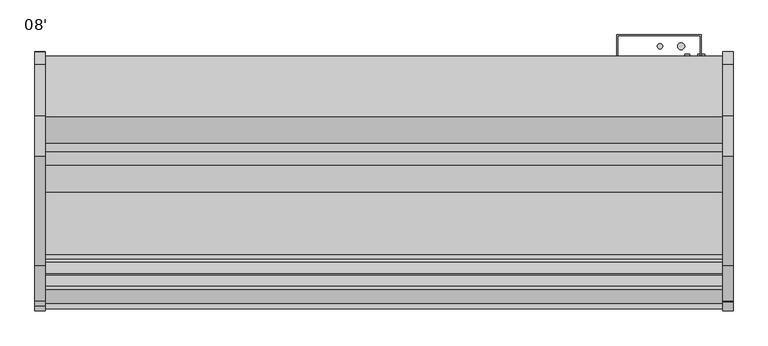
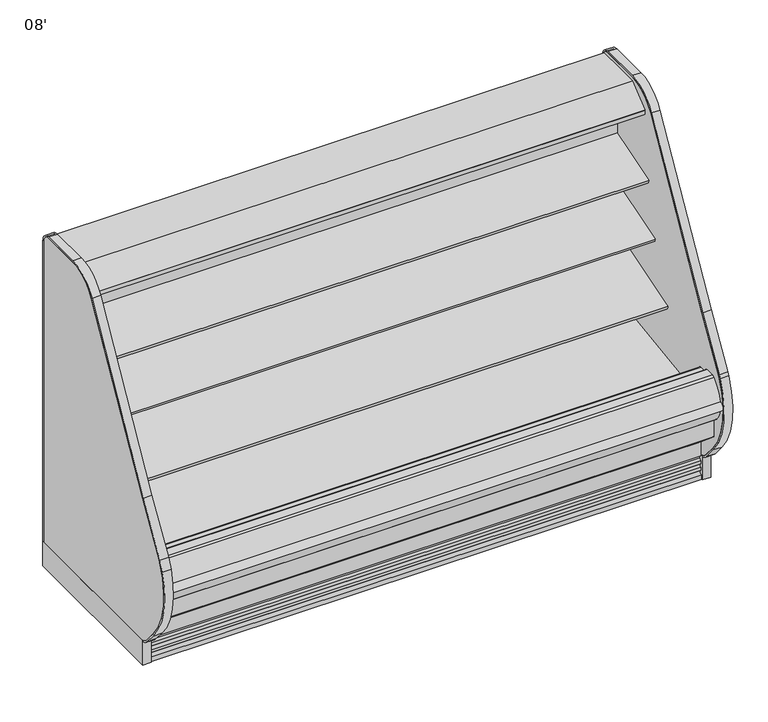
"""IFC4 building model written with IfcOpenShell, lengths in millimetres: proxy geometry, 08'."""

from ifc_helpers import new_model, si_unit, point, frame, frame_2d, origin, origin_with_axes, place, context, project, spatial, polyline, circle_curve, trimmed, segment, composite_curve, outline, extrude, source, transform, mapped, element, save
from ifc_brep_helpers import plane_surface, cylinder_surface, revolved_surface, advanced_brep


def proxy_08_27e143ef(model_context):
    return source(origin(), model_context, "Body", "SolidModel", [
        extrude(outline(composite_curve([segment(polyline([(-514.5091341, 1461.7730838), (-504.8016201, 1464.7713787), (-504.5349155, 1463.9078752), (-503.4677443, 1463.9078752), (-503.4677443, 1370.1435435), (-528.7629585, 1366.5907473)]), True, "CONTINUOUS"), segment(trimmed(circle_curve(frame_2d((-528.9028414, 1368.1644225)), 1.57988), [point((-528.7629585, 1366.5907473))], [point((-530.4673461, 1367.9445457))], False, "CARTESIAN"), True, "CONTINUOUS"), segment(polyline([(-530.4673461, 1367.9445457), (-531.3521558, 1374.2402938), (-530.5673882, 1374.3505857), (-529.5729936, 1367.2751005), (-505.9922352, 1370.58916), (-520.0882739, 1470.887687), (-542.8488553, 1467.8653314)]), True, "CONTINUOUS"), segment(trimmed(circle_curve(frame_2d((-542.745207, 1467.084783)), 0.7874), [point((-542.8488553, 1467.8653314))], [point((-543.5257554, 1466.9811347))], True, "CARTESIAN"), True, "CONTINUOUS"), segment(polyline([(-543.5257554, 1466.9811347), (-542.5026464, 1459.2763646), (-543.2831951, 1459.1727184), (-544.3063038, 1466.8774865)]), True, "CONTINUOUS"), segment(trimmed(circle_curve(frame_2d((-542.745207, 1467.084783)), 1.5748), [point((-544.3063038, 1466.8774865))], [point((-542.9525036, 1468.6458798))], False, "CARTESIAN"), True, "CONTINUOUS"), segment(polyline([(-542.9525036, 1468.6458798), (-518.9880924, 1471.8280909)]), True, "CONTINUOUS"), segment(trimmed(circle_curve(frame_2d((-518.7807959, 1470.2669941)), 1.5748), [point((-518.9880924, 1471.8280909))], [point((-517.2761312, 1470.7317298))], False, "CARTESIAN"), True, "CONTINUOUS"), segment(polyline([(-517.2761312, 1470.7317298), (-514.5091341, 1461.7730838)]), True, "CONTINUOUS")], self_intersect=False)), frame((0.0, 0.0, 0.0), z_axis=(1.0, 0.0, 0.0), x_axis=(0.0, 1.0, 0.0)), (0.0, 0.0, 1.0), 2438.4),
        extrude(outline(polyline([(-401.4996571, 1543.05), (-401.4996571, 1496.6220648), (-452.2996571, 1496.6220648), (-452.2996571, 1463.9078752), (-504.5349155, 1463.9078752), (-506.6141646, 1470.6398143), (-511.4086108, 1469.1589857), (-535.4786509, 1497.8445425), (-642.2469687, 1497.8445425), (-643.0851687, 1497.0063425), (-643.0851687, 1485.8811425), (-643.6432583, 1484.7023324), (-688.2811012, 1448.1263324), (-689.2470116, 1447.7811425), (-700.7436347, 1447.7811425), (-700.7436347, 1445.8493669), (-715.857653, 1445.8493669), (-715.857653, 1464.1183169), (-715.2644915, 1465.3619059), (-619.327685, 1543.05), (-401.4996571, 1543.05)])), frame((0.0, 0.0, 0.0), z_axis=(1.0, 0.0, 0.0), x_axis=(0.0, 1.0, 0.0)), (0.0, 0.0, 1.0), 2438.4),
        extrude(outline(composite_curve([segment(polyline([(-505.9922352, 1370.58916), (-529.5729936, 1367.2751005), (-530.5673882, 1374.3505857), (-542.4978224, 1459.2400359), (-543.5257554, 1466.9811347)]), True, "CONTINUOUS"), segment(trimmed(circle_curve(frame_2d((-542.745207, 1467.084783)), 0.7874), [point((-543.5257554, 1466.9811347))], [point((-542.8488553, 1467.8653314))], False, "CARTESIAN"), True, "CONTINUOUS"), segment(polyline([(-542.8488553, 1467.8653314), (-520.0882739, 1470.887687), (-505.9922352, 1370.58916)]), True, "CONTINUOUS")], self_intersect=False)), frame((0.0, 0.0, 0.0), z_axis=(1.0, 0.0, 0.0), x_axis=(0.0, 1.0, 0.0)), (0.0, 0.0, 1.0), 2438.4),
        extrude(outline(composite_curve([segment(trimmed(circle_curve(frame_2d((-586.8222651, 1471.8018376)), 14.2875), [point((-601.1097651, 1471.8018376))], [point((-572.5347651, 1471.8018376))], False, "CARTESIAN"), True, "CONTINUOUS"), segment(trimmed(circle_curve(frame_2d((-586.8222651, 1471.8018376)), 14.2875), [point((-572.5347651, 1471.8018376))], [point((-601.1097651, 1471.8018376))], False, "CARTESIAN"), True, "CONTINUOUS")], self_intersect=False)), frame((0.0, 0.0, 0.0), z_axis=(1.0, 0.0, 0.0), x_axis=(0.0, 1.0, 0.0)), (0.0, 0.0, 1.0), 1219.2),
        extrude(outline(composite_curve([segment(trimmed(circle_curve(frame_2d((-624.2110651, 1471.8018376)), 14.2875), [point((-638.4985651, 1471.8018376))], [point((-609.9235651, 1471.8018376))], False, "CARTESIAN"), True, "CONTINUOUS"), segment(trimmed(circle_curve(frame_2d((-624.2110651, 1471.8018376)), 14.2875), [point((-609.9235651, 1471.8018376))], [point((-638.4985651, 1471.8018376))], False, "CARTESIAN"), True, "CONTINUOUS")], self_intersect=False)), frame((0.0, 0.0, 0.0), z_axis=(1.0, 0.0, 0.0), x_axis=(0.0, 1.0, 0.0)), (0.0, 0.0, 1.0), 1219.2),
        extrude(outline(polyline([(2476.5, -385.6339273), (2476.5, -1152.4160029), (2438.4, -1152.4160029), (2438.4, -385.6339273), (2476.5, -385.6339273)])), origin_with_axes(), (0.0, 0.0, 1.0), 114.3),
        extrude(outline(composite_curve([segment(polyline([(-1152.4160029, 116.5798969), (-1152.4160029, 109.595887)]), True, "CONTINUOUS"), segment(trimmed(circle_curve(frame_2d((-1137.6967441, 171.4363524)), 63.5680717), [point((-1152.4160029, 109.595887))], [point((-1186.495575, 130.6984851))], False, "CARTESIAN"), True, "CONTINUOUS"), segment(polyline([(-1186.495575, 130.6984851), (-1238.6113068, 192.4078615)]), True, "CONTINUOUS"), segment(trimmed(circle_curve(frame_2d((-971.0702851, 416.9014342)), 349.25), [point((-1238.6113068, 192.4078615))], [point((-1290.6630685, 557.7418237))], False, "CARTESIAN"), True, "CONTINUOUS"), segment(trimmed(circle_curve(frame_2d((-1181.0473048, 509.9026614)), 119.6001718), [point((-1290.6630685, 557.7418237))], [point((-1283.5646612, 571.5013037))], False, "CARTESIAN"), True, "CONTINUOUS"), segment(polyline([(-1283.5646612, 571.5013037), (-1156.015482, 783.7787857), (-762.9420906, 1480.8530893)]), True, "CONTINUOUS"), segment(trimmed(circle_curve(frame_2d((-615.9139315, 1397.9453465)), 168.7926935), [point((-762.9420906, 1480.8530893))], [point((-615.9139315, 1566.73804))], False, "CARTESIAN"), True, "CONTINUOUS"), segment(polyline([(-615.9139315, 1566.73804), (-431.2380096, 1566.7610104)]), True, "CONTINUOUS"), segment(trimmed(circle_curve(frame_2d((-431.2324808, 1522.3110107)), 44.45), [point((-431.2380096, 1566.7610104))], [point((-386.7824808, 1522.3110107))], False, "CARTESIAN"), True, "CONTINUOUS"), segment(polyline([(-386.7824808, 1522.3110107), (-386.7824808, 114.3229711), (-393.1324808, 114.3229711), (-393.1324808, 1522.3110108)]), True, "CONTINUOUS"), segment(trimmed(circle_curve(frame_2d((-431.2324808, 1522.3110108)), 38.1), [point((-393.1324808, 1522.3110108))], [point((-431.2373794, 1560.4110104))], True, "CARTESIAN"), True, "CONTINUOUS"), segment(polyline([(-431.2373794, 1560.4110104), (-616.4365773, 1560.3871992)]), True, "CONTINUOUS"), segment(trimmed(circle_curve(frame_2d((-615.9139315, 1397.9453465)), 162.4426935), [point((-616.4365773, 1560.3871992))], [point((-757.4108748, 1477.7340908))], True, "CARTESIAN"), True, "CONTINUOUS"), segment(polyline([(-757.4108748, 1477.7340908), (-1150.5273223, 780.5834317), (-1281.3767651, 562.8133887)]), True, "CONTINUOUS"), segment(trimmed(circle_curve(frame_2d((-971.0702851, 416.9014342)), 342.9), [point((-1281.3767651, 562.8133887))], [point((-1233.7469246, 196.4895629))], True, "CARTESIAN"), True, "CONTINUOUS"), segment(polyline([(-1233.7469246, 196.4895629), (-1181.4257503, 135.1646002)]), True, "CONTINUOUS"), segment(trimmed(circle_curve(frame_2d((-1137.4891348, 171.8136543)), 57.2152021), [point((-1181.4257503, 135.1646002))], [point((-1152.4160029, 116.5798969))], True, "CARTESIAN"), True, "CONTINUOUS")], self_intersect=False)), frame((2438.4, 0.0, 0.0), z_axis=(1.0, 0.0, 0.0), x_axis=(0.0, 1.0, 0.0)), (0.0, 0.0, 1.0), 38.1),
        extrude(outline(composite_curve([segment(trimmed(circle_curve(frame_2d((-1137.0029315, 171.45)), 57.15), [point((-1152.4160029, 116.4176483))], [point((-1180.7823715, 134.7146881))], False, "CARTESIAN"), True, "CONTINUOUS"), segment(polyline([(-1180.7823715, 134.7146881), (-1233.7512633, 196.4665918)]), True, "CONTINUOUS"), segment(trimmed(circle_curve(frame_2d((-971.0746237, 416.8784632)), 342.9), [point((-1233.7512633, 196.4665918))], [point((-1281.3469933, 562.8629373))], False, "CARTESIAN"), True, "CONTINUOUS"), segment(polyline([(-1281.3469933, 562.8629373), (-1150.5273223, 780.5834317), (-757.4108748, 1477.7340908)]), True, "CONTINUOUS"), segment(trimmed(circle_curve(frame_2d((-615.9139315, 1397.9453465)), 162.4426935), [point((-757.4108748, 1477.7340908))], [point((-615.9139315, 1560.38804))], False, "CARTESIAN"), True, "CONTINUOUS"), segment(polyline([(-615.9139315, 1560.38804), (-430.0839273, 1560.38804)]), True, "CONTINUOUS"), segment(trimmed(circle_curve(frame_2d((-430.0839273, 1522.28804)), 38.1), [point((-430.0839273, 1560.38804))], [point((-391.9839273, 1522.28804))], False, "CARTESIAN"), True, "CONTINUOUS"), segment(polyline([(-391.9839273, 1522.28804), (-391.9839273, 114.3), (-1152.4160029, 114.3), (-1152.4160029, 116.4176483)]), True, "CONTINUOUS")], self_intersect=False)), frame((2438.4, 0.0, 0.0), z_axis=(1.0, 0.0, 0.0), x_axis=(0.0, 1.0, 0.0)), (0.0, 0.0, 1.0), 38.1),
        extrude(outline(composite_curve([segment(polyline([(-503.4770145, 920.8287489), (-520.8520366, 915.1919252)]), True, "CONTINUOUS"), segment(trimmed(circle_curve(frame_2d((-528.6901714, 939.3522986)), 25.4), [point((-520.8520366, 915.1919252))], [point((-538.1963728, 915.7982727))], False, "CARTESIAN"), True, "CONTINUOUS"), segment(polyline([(-538.1963728, 915.7982727), (-559.4917706, 924.3929113)]), True, "CONTINUOUS"), segment(trimmed(circle_curve(frame_2d((-583.257274, 865.5078465)), 63.5), [point((-559.4917706, 924.3929113))], [point((-594.1259367, 928.0707922))], True, "CARTESIAN"), True, "CONTINUOUS"), segment(polyline([(-594.1259367, 928.0707922), (-731.8940366, 910.7307584), (-734.3236807, 913.5856986), (-790.800009, 896.3191523), (-794.9587042, 909.9216311), (-503.4770145, 999.0365267), (-503.4770145, 920.8287489)]), True, "CONTINUOUS")], self_intersect=False)), frame((0.0, 0.0, 0.0), z_axis=(1.0, 0.0, 0.0), x_axis=(0.0, 1.0, 0.0)), (0.0, 0.0, 1.0), 2438.4),
        extrude(outline(composite_curve([segment(trimmed(circle_curve(frame_2d((-1293.046896, 431.6467295)), 19.6948721), [point((-1294.5628329, 412.0102858))], [point((-1294.1478613, 451.310805))], False, "CARTESIAN"), True, "CONTINUOUS"), segment(trimmed(circle_curve(frame_2d((-1122.0488977, 406.9971865)), 177.712549), [point((-1294.1478613, 451.310805))], [point((-1294.961171, 448.0227374))], True, "CARTESIAN"), True, "CONTINUOUS"), segment(trimmed(circle_curve(frame_2d((-1207.0580757, 430.9866152)), 89.5387269), [point((-1294.961171, 448.0227374))], [point((-1294.5628329, 412.0102858))], True, "CARTESIAN"), True, "CONTINUOUS")], self_intersect=False)), frame((0.0, 0.0, 0.0), z_axis=(1.0, 0.0, 0.0), x_axis=(0.0, 1.0, 0.0)), (0.0, 0.0, 1.0), 2438.4),
        extrude(outline(composite_curve([segment(trimmed(circle_curve(frame_2d((2278.6362287, -1007.9339273)), 12.7), [point((2265.9362287, -1007.9339273))], [point((2291.3362287, -1007.9339273))], False, "CARTESIAN"), True, "CONTINUOUS"), segment(trimmed(circle_curve(frame_2d((2278.6362287, -1007.9339273)), 12.7), [point((2291.3362287, -1007.9339273))], [point((2265.9362287, -1007.9339273))], False, "CARTESIAN"), True, "CONTINUOUS")], self_intersect=False)), frame((0.0, 0.0, 68.5310382), z_axis=(0.0, 0.0, 1.0), x_axis=(1.0, 0.0, 0.0)), (0.0, 0.0, 1.0), 52.7807458),
        extrude(outline(composite_curve([segment(trimmed(circle_curve(frame_2d((2228.43831, -1007.9339273)), 9.525), [point((2218.91331, -1007.9339273))], [point((2237.96331, -1007.9339273))], False, "CARTESIAN"), True, "CONTINUOUS"), segment(trimmed(circle_curve(frame_2d((2228.43831, -1007.9339273)), 9.525), [point((2237.96331, -1007.9339273))], [point((2218.91331, -1007.9339273))], False, "CARTESIAN"), True, "CONTINUOUS")], self_intersect=False)), frame((0.0, 0.0, 68.5310382), z_axis=(0.0, 0.0, 1.0), x_axis=(1.0, 0.0, 0.0)), (0.0, 0.0, 1.0), 52.7807458),
        extrude(outline(polyline([(0.0, -385.6339273), (0.0, -1152.4160029), (-38.1, -1152.4160029), (-38.1, -385.6339273), (0.0, -385.6339273)])), origin_with_axes(), (0.0, 0.0, 1.0), 114.3),
        extrude(outline(composite_curve([segment(polyline([(-1152.4160029, 116.5386609), (-1152.4160029, 109.5719159)]), True, "CONTINUOUS"), segment(trimmed(circle_curve(frame_2d((-1137.6993705, 171.4132571)), 63.5683156), [point((-1152.4160029, 109.5719159))], [point((-1186.4987719, 130.6756925))], False, "CARTESIAN"), True, "CONTINUOUS"), segment(polyline([(-1186.4987719, 130.6756925), (-1231.7344679, 184.4584385)]), True, "CONTINUOUS"), segment(trimmed(circle_curve(frame_2d((-971.0702851, 416.9014342)), 349.25), [point((-1231.7344679, 184.4584385))], [point((-1302.5796605, 526.7972782))], False, "CARTESIAN"), True, "CONTINUOUS"), segment(trimmed(circle_curve(frame_2d((-1021.326846, 433.5615578)), 296.3039744), [point((-1302.5796605, 526.7972782))], [point((-1283.5646612, 571.5013037))], False, "CARTESIAN"), True, "CONTINUOUS"), segment(polyline([(-1283.5646612, 571.5013037), (-1156.015482, 783.7787857), (-762.9420906, 1480.8530893)]), True, "CONTINUOUS"), segment(trimmed(circle_curve(frame_2d((-615.9139315, 1397.9453465)), 168.7926935), [point((-762.9420906, 1480.8530893))], [point((-615.9139315, 1566.73804))], False, "CARTESIAN"), True, "CONTINUOUS"), segment(polyline([(-615.9139315, 1566.73804), (-431.1541381, 1566.3062631)]), True, "CONTINUOUS"), segment(trimmed(circle_curve(frame_2d((-431.1541381, 1522.1043075)), 44.2019557), [point((-431.1541381, 1566.3062631))], [point((-386.9521824, 1522.1043075))], False, "CARTESIAN"), True, "CONTINUOUS"), segment(polyline([(-386.9521824, 1522.1043075), (-386.9521824, 114.3), (-393.1368195, 114.3), (-393.1368195, 1522.28804)]), True, "CONTINUOUS"), segment(trimmed(circle_curve(frame_2d((-431.2368195, 1522.28804)), 38.1), [point((-393.1368195, 1522.28804))], [point((-431.2368195, 1560.38804))], True, "CARTESIAN"), True, "CONTINUOUS"), segment(polyline([(-431.2368195, 1560.38804), (-615.9139315, 1560.38804)]), True, "CONTINUOUS"), segment(trimmed(circle_curve(frame_2d((-615.9139315, 1397.9453465)), 162.4426935), [point((-615.9139315, 1560.38804))], [point((-757.4108748, 1477.7340908))], True, "CARTESIAN"), True, "CONTINUOUS"), segment(polyline([(-757.4108748, 1477.7340908), (-1150.5273223, 780.5834317), (-1281.3469933, 562.8629373)]), True, "CONTINUOUS"), segment(trimmed(circle_curve(frame_2d((-971.0746237, 416.8784632)), 342.9), [point((-1281.3469933, 562.8629373))], [point((-1233.7512633, 196.4665918))], True, "CARTESIAN"), True, "CONTINUOUS"), segment(polyline([(-1233.7512633, 196.4665918), (-1181.2448323, 135.0745651)]), True, "CONTINUOUS"), segment(trimmed(circle_curve(frame_2d((-1137.3076402, 171.7232892)), 57.2154334), [point((-1181.2448323, 135.0745651))], [point((-1152.4160029, 116.5386609))], True, "CARTESIAN"), True, "CONTINUOUS")], self_intersect=False)), frame((-38.1, 0.0, 0.0), z_axis=(1.0, 0.0, 0.0), x_axis=(0.0, 1.0, 0.0)), (0.0, 0.0, 1.0), 38.1),
        extrude(outline(composite_curve([segment(trimmed(circle_curve(frame_2d((-1137.2511707, 171.7304997)), 57.2147041), [point((-1152.4160029, 116.562119))], [point((-1181.1891263, 135.0838297))], False, "CARTESIAN"), True, "CONTINUOUS"), segment(polyline([(-1181.1891263, 135.0838297), (-1233.4618414, 196.9898389)]), True, "CONTINUOUS"), segment(trimmed(circle_curve(frame_2d((-972.7472142, 417.1342414)), 341.2267205), [point((-1233.4618414, 196.9898389))], [point((-1282.8750242, 559.4592788))], False, "CARTESIAN"), True, "CONTINUOUS"), segment(trimmed(circle_curve(frame_2d((-1158.7397111, 498.0860076)), 138.4783535), [point((-1282.8750242, 559.4592788))], [point((-1277.4328013, 569.4176605))], False, "CARTESIAN"), True, "CONTINUOUS"), segment(polyline([(-1277.4328013, 569.4176605), (-1150.5273223, 780.5834317), (-757.4108748, 1477.7340908)]), True, "CONTINUOUS"), segment(trimmed(circle_curve(frame_2d((-615.9139315, 1397.9453465)), 162.4426935), [point((-757.4108748, 1477.7340908))], [point((-615.9139315, 1560.38804))], False, "CARTESIAN"), True, "CONTINUOUS"), segment(polyline([(-615.9139315, 1560.38804), (-431.2178632, 1560.2961463)]), True, "CONTINUOUS"), segment(trimmed(circle_curve(frame_2d((-431.2368195, 1522.196151)), 38.1), [point((-431.2178632, 1560.2961463))], [point((-393.1368195, 1522.196151))], False, "CARTESIAN"), True, "CONTINUOUS"), segment(polyline([(-393.1368195, 1522.196151), (-393.1368195, 114.2081157), (-1152.4160029, 114.2081157), (-1152.4160029, 116.562119)]), True, "CONTINUOUS")], self_intersect=False)), frame((-38.1, 0.0, 0.0), z_axis=(1.0, 0.0, 0.0), x_axis=(0.0, 1.0, 0.0)), (0.0, 0.0, 1.0), 38.1),
        extrude(outline(polyline([(2359.025, -401.5089273), (2359.025, -328.4839273), (2060.575, -328.4839273), (2060.575, -401.5089273), (2057.4, -401.5089273), (2057.4, -325.3089273), (2362.2, -325.3089273), (2362.2, -401.5089273), (2359.025, -401.5089273)])), frame((0.0, 0.0, 522.6122796), z_axis=(0.0, 0.0, 1.0), x_axis=(1.0, 0.0, 0.0)), (0.0, 0.0, 1.0), 828.7215991),
        advanced_brep(
        [(0.0, -401.5089273, 1496.6220648), (0.0, -401.5089273, 130.175), (0.0, -1092.9329421, 130.175), (0.0, -1242.6779256, 255.8259604), (0.0, -1242.6779256, 390.4771975), (0.0, -1191.6695874, 390.4771975), (0.0, -1191.6695874, 280.6965658), (0.0, -1081.6882807, 188.4112919), (0.0, -1075.5167374, 188.6268069), (0.0, -1036.8125365, 160.6272219), (0.0, -1035.5745571, 160.670453), (0.0, -1022.2030531, 151.6562137), (0.0, -961.9148015, 153.7615258), (0.0, -949.2046713, 163.6865559), (0.0, -947.966692, 163.7297871), (0.0, -911.2586215, 194.4039054), (0.0, -452.3089273, 210.4307819), (0.0, -452.3089273, 1496.6220648), (2438.4, -401.5089273, 1496.6220648), (2438.4, -452.3089273, 1496.6220648), (2438.4, -452.3089273, 210.4307819), (2438.4, -911.2586215, 194.4039054), (2438.4, -947.966692, 163.7297871), (2438.4, -949.2046713, 163.6865559), (2438.4, -961.9148015, 153.7615258), (2438.4, -1022.2030531, 151.6562137), (2438.4, -1035.5745571, 160.670453), (2438.4, -1036.8125365, 160.6272219), (2438.4, -1075.5167374, 188.6268069), (2438.4, -1081.6882807, 188.4112919), (2438.4, -1191.6695874, 280.6965658), (2438.4, -1191.6695874, 390.4771975), (2438.4, -1242.6779256, 390.4771975), (2438.4, -1242.6779256, 255.8259604), (2438.4, -1092.9329421, 130.175), (2438.4, -401.5089273, 130.175), (2336.8, -401.5089273, 368.3), (2336.8, -401.5089273, 266.7), (2336.8, -446.7209273, 266.7), (2336.8, -446.7209273, 368.3)],
        [
            (0, 1),
            (1, 2),
            (2, 3),
            (3, 4),
            (4, 5),
            (5, 6),
            (6, 7),
            (7, 8),
            (8, 9),
            (9, 10),
            (10, 11),
            (11, 12),
            (12, 13),
            (13, 14),
            (14, 15),
            (15, 16),
            (16, 17),
            (17, 0),
            (18, 19),
            (19, 20),
            (20, 21),
            (21, 22),
            (22, 23),
            (23, 24),
            (24, 25),
            (25, 26),
            (26, 27),
            (27, 28),
            (28, 29),
            (29, 30),
            (30, 31),
            (31, 32),
            (32, 33),
            (33, 34),
            (34, 35),
            (35, 18),
            (17, 19),
            (18, 0),
            (16, 20),
            (1, 35),
            (34, 2),
            (36, 37, circle_curve(frame((2336.8, -401.5089273, 317.5), z_axis=(0.0, -1.0, 0.0), x_axis=(0.0, 0.0, 1.0)), 50.8)),
            (37, 36, circle_curve(frame((2336.8, -401.5089273, 317.5), z_axis=(0.0, -1.0, 0.0), x_axis=(0.0, 0.0, 1.0)), 50.8)),
            (38, 39, circle_curve(frame((2336.8, -446.7209273, 317.5), z_axis=(0.0, 1.0, 0.0), x_axis=(0.0, 0.0, 1.0)), 50.8)),
            (39, 38, circle_curve(frame((2336.8, -446.7209273, 317.5), z_axis=(0.0, 1.0, 0.0), x_axis=(0.0, 0.0, 1.0)), 50.8)),
            (38, 37),
            (36, 39),
            (15, 21),
            (14, 22),
            (13, 23),
            (12, 24),
            (11, 25),
            (10, 26),
            (9, 27),
            (8, 28),
            (7, 29),
            (6, 30),
            (5, 31),
            (4, 32),
            (3, 33),
        ],
        [
            plane_surface(frame((0.0, -452.3089273, 1496.6220648), z_axis=(-1.0, 0.0, 0.0), x_axis=(0.0, 1.0, 0.0))),
            plane_surface(frame((2438.4, -452.3089273, 1496.6220648), z_axis=(1.0, 0.0, 0.0), x_axis=(0.0, -1.0, 0.0))),
            plane_surface(frame((2438.4, -401.5089273, 1496.6220648), z_axis=(0.0, 0.0, 1.0), x_axis=(-1.0, 0.0, 0.0))),
            plane_surface(frame((2438.4, -452.3089273, 1496.6220648), z_axis=(0.0, -1.0, 0.0), x_axis=(-1.0, 0.0, 0.0))),
            plane_surface(frame((2438.4, -1092.9329421, 130.175), z_axis=(0.0, 0.0, -1.0), x_axis=(-1.0, 0.0, 0.0))),
            plane_surface(frame((2438.4, -401.5089273, 130.175), z_axis=(0.0, 1.0, 0.0), x_axis=(-1.0, 0.0, 0.0))),
            plane_surface(frame((2336.8, -446.7209273, 368.3), z_axis=(0.0, 1.0, 0.0), x_axis=(-1.0, 0.0, 0.0))),
            revolved_surface(polyline([(2336.8, -401.5089273, 368.3), (2336.8, -446.7209273, 368.3)]), (2336.8, -446.7209273, 317.5), (0.0, 1.0, 0.0)),
            plane_surface(frame((2438.4, -452.3089273, 210.4307819), z_axis=(0.0, -0.034899496702464096, 0.9993908270190971), x_axis=(-1.0, 0.0, 0.0))),
            plane_surface(frame((2438.4, -911.2586215, 194.4039054), z_axis=(0.0, -0.6412208566386186, 0.7673563794037528), x_axis=(-1.0, 0.0, 0.0))),
            plane_surface(frame((2438.4, -947.966692, 163.7297871), z_axis=(0.0, -0.03489949670032392, 0.9993908270191718), x_axis=(-1.0, 0.0, 0.0))),
            plane_surface(frame((2438.4, -949.2046713, 163.6865559), z_axis=(0.0, -0.6154607629252682, 0.7881675261639793), x_axis=(-1.0, 0.0, 0.0))),
            plane_surface(frame((2438.4, -961.9148015, 153.7615258), z_axis=(0.0, -0.03489949670245096, 0.9993908270190975), x_axis=(-1.0, 0.0, 0.0))),
            plane_surface(frame((2438.4, -1022.2030531, 151.6562137), z_axis=(0.0, 0.5589817440968015, 0.8291799622316606), x_axis=(-1.0, 0.0, 0.0))),
            plane_surface(frame((2438.4, -1035.5745571, 160.670453), z_axis=(0.0, -0.03489949670146529, 0.999390827019132), x_axis=(-1.0, 0.0, 0.0))),
            plane_surface(frame((2438.4, -1036.8125365, 160.6272219), z_axis=(0.0, 0.5861307997256017, 0.810216443682197), x_axis=(-1.0, 0.0, 0.0))),
            plane_surface(frame((2438.4, -1075.5167374, 188.6268069), z_axis=(0.0, -0.034899496703538944, 0.9993908270190596), x_axis=(-1.0, 0.0, 0.0))),
            plane_surface(frame((2438.4, -1081.6882807, 188.4112919), z_axis=(0.0, 0.6427876096870883, 0.7660444431185175), x_axis=(-1.0, 0.0, 0.0))),
            plane_surface(frame((2438.4, -1191.6695874, 280.6965658), z_axis=(0.0, 1.0, 0.0), x_axis=(-1.0, 0.0, 0.0))),
            plane_surface(frame((2438.4, -1191.6695874, 390.4771975), z_axis=(0.0, 0.0, 1.0), x_axis=(-1.0, 0.0, 0.0))),
            plane_surface(frame((2438.4, -1242.6779256, 390.4771975), z_axis=(0.0, -1.0, 0.0), x_axis=(-1.0, 0.0, 0.0))),
            plane_surface(frame((2438.4, -1242.6779256, 255.8259604), z_axis=(0.0, -0.6427876096870784, -0.7660444431185257), x_axis=(-1.0, 0.0, 0.0))),
        ],
        [
            (0, [[1, 2, 3, 4, 5, 6, 7, 8, 9, 10, 11, 12, 13, 14, 15, 16, 17, 18]]),
            (1, [[19, 20, 21, 22, 23, 24, 25, 26, 27, 28, 29, 30, 31, 32, 33, 34, 35, 36]]),
            (2, [[-18, 37, -19, 38]]),
            (3, [[-17, 39, -20, -37]]),
            (4, [[-2, 40, -35, 41]]),
            (5, [[-1, -38, -36, -40], [42, 43]]),
            (6, [[44, 45]]),
            (7, [[-44, 46, -42, 47]]),
            (7, [[-45, -47, -43, -46]]),
            (8, [[-16, 48, -21, -39]]),
            (9, [[-15, 49, -22, -48]]),
            (10, [[-14, 50, -23, -49]]),
            (11, [[-13, 51, -24, -50]]),
            (12, [[-12, 52, -25, -51]]),
            (13, [[-11, 53, -26, -52]]),
            (14, [[-10, 54, -27, -53]]),
            (15, [[-9, 55, -28, -54]]),
            (16, [[-8, 56, -29, -55]]),
            (17, [[-7, 57, -30, -56]]),
            (18, [[-6, 58, -31, -57]]),
            (19, [[-5, 59, -32, -58]]),
            (20, [[-4, 60, -33, -59]]),
            (21, [[-3, -41, -34, -60]]),
        ],
    ),
        extrude(outline(composite_curve([segment(polyline([(-503.4770145, 1229.6443045), (-503.4770145, 1151.1243135), (-520.8520366, 1145.4874898)]), True, "CONTINUOUS"), segment(trimmed(circle_curve(frame_2d((-528.6901714, 1169.6478632)), 25.4), [point((-520.8520366, 1145.4874898))], [point((-538.1963728, 1146.0938373))], False, "CARTESIAN"), True, "CONTINUOUS"), segment(polyline([(-538.1963728, 1146.0938373), (-559.4917706, 1154.6884758)]), True, "CONTINUOUS"), segment(trimmed(circle_curve(frame_2d((-583.257274, 1095.8034111)), 63.5), [point((-559.4917706, 1154.6884758))], [point((-594.1259367, 1158.3663568))], True, "CARTESIAN"), True, "CONTINUOUS"), segment(polyline([(-594.1259367, 1158.3663568), (-683.313755, 1155.8788055), (-685.7433991, 1158.7337458), (-742.2197274, 1141.4671994), (-746.4657163, 1155.3552031), (-503.4770145, 1229.6443045)]), True, "CONTINUOUS")], self_intersect=False)), frame((0.0, 0.0, 0.0), z_axis=(1.0, 0.0, 0.0), x_axis=(0.0, 1.0, 0.0)), (0.0, 0.0, 1.0), 2438.4),
        extrude(outline(composite_curve([segment(polyline([(-503.4770145, 694.2615222), (-521.9044919, 688.2832597)]), True, "CONTINUOUS"), segment(trimmed(circle_curve(frame_2d((-528.6901714, 712.7600764)), 25.4), [point((-521.9044919, 688.2832597))], [point((-538.1963728, 689.2060505))], False, "CARTESIAN"), True, "CONTINUOUS"), segment(polyline([(-538.1963728, 689.2060505), (-559.4917706, 697.8006891)]), True, "CONTINUOUS"), segment(trimmed(circle_curve(frame_2d((-583.257274, 638.9156243)), 63.5), [point((-559.4917706, 697.8006891))], [point((-594.1259367, 701.47857))], True, "CARTESIAN"), True, "CONTINUOUS"), segment(polyline([(-594.1259367, 701.47857), (-829.0545998, 654.433571), (-831.4842439, 657.2885112), (-887.9605722, 640.0219649), (-892.1192674, 653.6244437), (-503.4770145, 772.4443045), (-503.4770145, 694.2615222)]), True, "CONTINUOUS")], self_intersect=False)), frame((0.0, 0.0, 0.0), z_axis=(1.0, 0.0, 0.0), x_axis=(0.0, 1.0, 0.0)), (0.0, 0.0, 1.0), 2438.4),
        extrude(outline(composite_curve([segment(polyline([(-1232.9683917, 539.75), (-1190.5503917, 539.75)]), True, "CONTINUOUS"), segment(trimmed(circle_curve(frame_2d((-1190.5503917, 536.575)), 3.175), [point((-1190.5503917, 539.75))], [point((-1187.3753917, 536.575))], False, "CARTESIAN"), True, "CONTINUOUS"), segment(polyline([(-1187.3753917, 536.575), (-1187.3753917, 522.6122796), (-1191.6695874, 522.6122796), (-1191.6695874, 390.4771975), (-1242.6779256, 390.4771975), (-1242.6779256, 349.7062579), (-1260.1512454, 349.7062579)]), True, "CONTINUOUS"), segment(trimmed(circle_curve(frame_2d((-1260.1512454, 355.8622108)), 6.1559529), [point((-1260.1512454, 349.7062579))], [point((-1264.7308437, 351.7484491))], False, "CARTESIAN"), True, "CONTINUOUS"), segment(trimmed(circle_curve(frame_2d((-1169.5637477, 436.1498983)), 127.2021258), [point((-1264.7308437, 351.7484491))], [point((-1296.5567312, 443.441191))], False, "CARTESIAN"), True, "CONTINUOUS"), segment(trimmed(circle_curve(frame_2d((-1122.94688, 405.0685499)), 177.8), [point((-1296.5567312, 443.441191))], [point((-1243.7548144, 535.5226912))], False, "CARTESIAN"), True, "CONTINUOUS"), segment(trimmed(circle_curve(frame_2d((-1232.9683917, 523.875)), 15.875), [point((-1243.7548144, 535.5226912))], [point((-1232.9683917, 539.75))], False, "CARTESIAN"), True, "CONTINUOUS")], self_intersect=False)), frame((0.0, 0.0, 0.0), z_axis=(1.0, 0.0, 0.0), x_axis=(0.0, 1.0, 0.0)), (0.0, 0.0, 1.0), 2438.4),
        extrude(outline(composite_curve([segment(polyline([(-1117.0624519, 150.4220627), (-1117.0624519, 0.0), (-1148.0584493, 0.0), (-1148.0584493, 21.591952)]), True, "CONTINUOUS"), segment(trimmed(circle_curve(frame_2d((-1147.5226258, 35.2873287)), 13.7058546), [point((-1148.0584493, 21.591952))], [point((-1134.4406464, 31.1992648))], True, "CARTESIAN"), True, "CONTINUOUS"), segment(polyline([(-1134.4406464, 31.1992648), (-1131.6258599, 40.2067021), (-1143.5826446, 40.2067021), (-1143.5826446, 52.9067021)]), True, "CONTINUOUS"), segment(trimmed(circle_curve(frame_2d((-1148.0005124, 66.4088493)), 14.2065314), [point((-1143.5826446, 52.9067021))], [point((-1134.4406464, 62.1714479))], True, "CARTESIAN"), True, "CONTINUOUS"), segment(polyline([(-1134.4406464, 62.1714479), (-1131.6258599, 71.1788852), (-1143.5826446, 71.1788852), (-1143.5826446, 83.8788852)]), True, "CONTINUOUS"), segment(trimmed(circle_curve(frame_2d((-1148.0728877, 97.4524489)), 14.2969897), [point((-1143.5826446, 83.8788852))], [point((-1134.4406464, 93.143631))], True, "CARTESIAN"), True, "CONTINUOUS"), segment(polyline([(-1134.4406464, 93.143631), (-1130.9515493, 104.1824391), (-1130.9515493, 107.8329403), (-1143.8191893, 107.8329403), (-1143.8191893, 172.8736313), (-1117.0624519, 150.4220627)]), True, "CONTINUOUS")], self_intersect=False)), frame((0.0, 0.0, 0.0), z_axis=(1.0, 0.0, 0.0), x_axis=(0.0, 1.0, 0.0)), (0.0, 0.0, 1.0), 2438.4),
        extrude(outline(composite_curve([segment(trimmed(circle_curve(frame_2d((2212.975, -366.5839273)), 9.525), [point((2203.45, -366.5839273))], [point((2222.5, -366.5839273))], False, "CARTESIAN"), True, "CONTINUOUS"), segment(trimmed(circle_curve(frame_2d((2212.975, -366.5839273)), 9.525), [point((2222.5, -366.5839273))], [point((2203.45, -366.5839273))], False, "CARTESIAN"), True, "CONTINUOUS")], self_intersect=False)), frame((0.0, 0.0, 1070.4944621), z_axis=(0.0, 0.0, 1.0), x_axis=(1.0, 0.0, 0.0)), (0.0, 0.0, 1.0), 291.1992178),
        extrude(outline(composite_curve([segment(trimmed(circle_curve(frame_2d((2289.175, -366.5839273)), 12.7), [point((2276.475, -366.5839273))], [point((2301.875, -366.5839273))], False, "CARTESIAN"), True, "CONTINUOUS"), segment(trimmed(circle_curve(frame_2d((2289.175, -366.5839273)), 12.7), [point((2301.875, -366.5839273))], [point((2276.475, -366.5839273))], False, "CARTESIAN"), True, "CONTINUOUS")], self_intersect=False)), frame((0.0, 0.0, 1070.4944621), z_axis=(0.0, 0.0, 1.0), x_axis=(1.0, 0.0, 0.0)), (0.0, 0.0, 1.0), 291.1992178),
        extrude(outline(composite_curve([segment(trimmed(circle_curve(frame_2d((317.5, 2362.2)), 12.7), [point((317.5, 2374.9))], [point((317.5, 2349.5))], False, "CARTESIAN"), True, "CONTINUOUS"), segment(trimmed(circle_curve(frame_2d((317.5, 2362.2)), 12.7), [point((317.5, 2349.5))], [point((317.5, 2374.9))], False, "CARTESIAN"), True, "CONTINUOUS")], self_intersect=False)), frame((0.0, -446.7209273, 0.0), z_axis=(0.0, 1.0, 0.0), x_axis=(0.0, 0.0, 1.0)), (0.0, 0.0, 1.0), 52.8518438),
        extrude(outline(composite_curve([segment(trimmed(circle_curve(frame_2d((317.5, 2311.4)), 9.525), [point((317.5, 2320.925))], [point((317.5, 2301.875))], False, "CARTESIAN"), True, "CONTINUOUS"), segment(trimmed(circle_curve(frame_2d((317.5, 2311.4)), 9.525), [point((317.5, 2301.875))], [point((317.5, 2320.925))], False, "CARTESIAN"), True, "CONTINUOUS")], self_intersect=False)), frame((0.0, -446.7209273, 0.0), z_axis=(0.0, 1.0, 0.0), x_axis=(0.0, 0.0, 1.0)), (0.0, 0.0, 1.0), 52.8518438),
        extrude(outline(composite_curve([segment(trimmed(circle_curve(frame_2d((1219.2, -988.8839273)), 38.1), [point((1181.1, -988.8839273))], [point((1257.3, -988.8839273))], False, "CARTESIAN"), True, "CONTINUOUS"), segment(trimmed(circle_curve(frame_2d((1219.2, -988.8839273)), 38.1), [point((1257.3, -988.8839273))], [point((1181.1, -988.8839273))], False, "CARTESIAN"), True, "CONTINUOUS")], self_intersect=False)), frame((0.0, 0.0, 68.5310382), z_axis=(0.0, 0.0, 1.0), x_axis=(1.0, 0.0, 0.0)), (0.0, 0.0, 1.0), 52.7807458),
        advanced_brep(
        [(0.0, -1018.0355073, 16.9113003), (0.0, -1117.0624519, 16.9113003), (0.0, -1117.0624519, 150.4220627), (0.0, -1092.9329421, 130.175), (0.0, -1018.0355073, 130.175), (2438.4, -1018.0355073, 16.9113003), (2438.4, -1018.0355073, 130.175), (2438.4, -1092.9329421, 130.175), (2438.4, -1117.0624519, 150.4220627), (2438.4, -1117.0624519, 16.9113003), (2307.2105208, -1018.0355073, 16.9113003), (2307.2105208, -1018.0355073, 121.311784), (2207.6394792, -1018.0355073, 121.311784), (2207.6394792, -1018.0355073, 16.9113003), (1260.8031896, -1018.0355073, 16.9113003), (1260.8031896, -1018.0355073, 121.311784), (1177.5968104, -1018.0355073, 121.311784), (1177.5968104, -1018.0355073, 16.9113003)],
        [
            (0, 1),
            (1, 2),
            (2, 3),
            (3, 4),
            (4, 0),
            (5, 6),
            (6, 7),
            (7, 8),
            (8, 9),
            (9, 5),
            (4, 6),
            (5, 10),
            (10, 11),
            (11, 12),
            (12, 13),
            (13, 14),
            (14, 15),
            (15, 16),
            (16, 17),
            (17, 0),
            (3, 7),
            (17, 14, circle_curve(frame((1219.2, -988.8839273, 16.9113003), z_axis=(0.0, 0.0, 1.0), x_axis=(1.0, 0.0, 0.0)), 50.8)),
            (13, 10, circle_curve(frame((2257.425, -1007.9339273, 16.9113003), z_axis=(0.0, 0.0, 1.0), x_axis=(1.0, 0.0, 0.0)), 50.8)),
            (9, 1),
            (15, 16, circle_curve(frame((1219.2, -988.8839273, 121.311784), z_axis=(0.0, 0.0, -1.0), x_axis=(1.0, 0.0, 0.0)), 50.8)),
            (8, 2),
            (11, 12, circle_curve(frame((2257.425, -1007.9339273, 121.311784), z_axis=(0.0, 0.0, -1.0), x_axis=(1.0, 0.0, 0.0)), 50.8)),
        ],
        [
            plane_surface(frame((0.0, -1018.0355073, 130.175), z_axis=(-1.0, 0.0, 0.0), x_axis=(0.0, 0.0, -1.0))),
            plane_surface(frame((2438.4, -1018.0355073, 130.175), z_axis=(1.0, 0.0, 0.0), x_axis=(0.0, 0.0, 1.0))),
            plane_surface(frame((2438.4, -1018.0355073, 16.9113003), z_axis=(0.0, 1.0, 0.0), x_axis=(-1.0, 0.0, 0.0))),
            plane_surface(frame((2438.4, -1018.0355073, 130.175), z_axis=(0.0, 0.0, 1.0), x_axis=(-1.0, 0.0, 0.0))),
            plane_surface(frame((2438.4, -1117.0624519, 16.9113003), z_axis=(0.0, 0.0, -1.0), x_axis=(-1.0, 0.0, 0.0))),
            plane_surface(frame((1270.0, -988.8839273, 121.311784), z_axis=(0.0, 0.0, -1.0), x_axis=(0.0, 1.0, 0.0))),
            revolved_surface(polyline([(1270.0, -988.8839273, 121.311784), (1270.0, -988.8839273, 16.9113003)]), (1219.2, -988.8839273, 0.0), (0.0, 0.0, 1.0)),
            plane_surface(frame((2438.4, -1117.0624519, 150.4220627), z_axis=(0.0, -1.0, 0.0), x_axis=(-1.0, 0.0, 0.0))),
            plane_surface(frame((2438.4, -1092.9329421, 130.175), z_axis=(0.0, 0.6427876096870792, 0.766044443118525), x_axis=(-1.0, 0.0, 0.0))),
            plane_surface(frame((2308.225, -1007.9339273, 121.311784), z_axis=(0.0, 0.0, -1.0), x_axis=(0.0, 1.0, 0.0))),
            revolved_surface(polyline([(2308.2250000000004, -1007.9339273, 121.311784), (2308.2250000000004, -1007.9339273, 16.9113003)]), (2257.425, -1007.9339273, 0.0), (0.0, 0.0, 1.0)),
        ],
        [
            (0, [[1, 2, 3, 4, 5]]),
            (1, [[6, 7, 8, 9, 10]]),
            (2, [[-5, 11, -6, 12, 13, 14, 15, 16, 17, 18, 19, 20]]),
            (3, [[-4, 21, -7, -11]]),
            (4, [[-1, -20, 22, -16, 23, -12, -10, 24]]),
            (5, [[25, -18]]),
            (6, [[-25, -17, -22, -19]]),
            (7, [[-2, -24, -9, 26]]),
            (8, [[-3, -26, -8, -21]]),
            (9, [[27, -14]]),
            (10, [[-27, -13, -23, -15]]),
        ],
    ),
        advanced_brep(
        [(0.0, -401.5089273, 130.175), (0.0, -401.5089273, 0.0), (0.0, -446.7209273, 0.0), (0.0, -446.7209273, 74.8810382), (0.0, -972.7046625, 74.8810382), (0.0, -972.7046625, 0.0), (0.0, -1018.0355073, 0.0), (0.0, -1018.0355073, 130.175), (2438.4, -401.5089273, 130.175), (2438.4, -1018.0355073, 130.175), (2438.4, -1018.0355073, 0.0), (2438.4, -972.7046625, 0.0), (2438.4, -972.7046625, 74.8810382), (2438.4, -446.7209273, 74.8810382), (2438.4, -446.7209273, 0.0), (2438.4, -401.5089273, 0.0), (1177.5968104, -1018.0355073, 0.0), (1177.5968104, -1018.0355073, 121.311784), (1260.8031896, -1018.0355073, 121.311784), (1260.8031896, -1018.0355073, 0.0), (2207.6394792, -1018.0355073, 0.0), (2207.6394792, -1018.0355073, 121.311784), (2307.2105208, -1018.0355073, 121.311784), (2307.2105208, -1018.0355073, 0.0), (1171.0453388, -972.7046625, 0.0), (1168.4, -988.8839273, 0.0), (2308.225, -1007.9339273, 0.0), (2294.0247118, -972.7046625, 0.0), (1270.0, -988.8839273, 0.0), (1267.3546612, -972.7046625, 0.0), (2220.8252882, -972.7046625, 0.0), (2206.625, -1007.9339273, 0.0), (1171.0453388, -972.7046625, 74.8810382), (2294.0247118, -972.7046625, 74.8810382), (1267.3546612, -972.7046625, 74.8810382), (2220.8252882, -972.7046625, 74.8810382), (1168.4, -988.8839273, 121.311784), (1270.0, -988.8839273, 121.311784), (2206.625, -1007.9339273, 121.311784), (2308.225, -1007.9339273, 121.311784)],
        [
            (0, 1),
            (1, 2),
            (2, 3),
            (3, 4),
            (4, 5),
            (5, 6),
            (6, 7),
            (7, 0),
            (8, 9),
            (9, 10),
            (10, 11),
            (11, 12),
            (12, 13),
            (13, 14),
            (14, 15),
            (15, 8),
            (7, 9),
            (8, 0),
            (6, 16),
            (16, 17),
            (17, 18),
            (18, 19),
            (19, 20),
            (20, 21),
            (21, 22),
            (22, 23),
            (23, 10),
            (5, 24),
            (24, 25, circle_curve(frame((1219.2, -988.8839273, 0.0), z_axis=(0.0, 0.0, 1.0), x_axis=(1.0, 0.0, 0.0)), 50.8)),
            (25, 16, circle_curve(frame((1219.2, -988.8839273, 0.0), z_axis=(0.0, 0.0, 1.0), x_axis=(1.0, 0.0, 0.0)), 50.8)),
            (23, 26, circle_curve(frame((2257.425, -1007.9339273, 0.0), z_axis=(0.0, 0.0, 1.0), x_axis=(1.0, 0.0, 0.0)), 50.8)),
            (26, 27, circle_curve(frame((2257.425, -1007.9339273, 0.0), z_axis=(0.0, 0.0, 1.0), x_axis=(1.0, 0.0, 0.0)), 50.8)),
            (27, 11),
            (19, 28, circle_curve(frame((1219.2, -988.8839273, 0.0), z_axis=(0.0, 0.0, 1.0), x_axis=(1.0, 0.0, 0.0)), 50.8)),
            (28, 29, circle_curve(frame((1219.2, -988.8839273, 0.0), z_axis=(0.0, 0.0, 1.0), x_axis=(1.0, 0.0, 0.0)), 50.8)),
            (29, 30),
            (30, 31, circle_curve(frame((2257.425, -1007.9339273, 0.0), z_axis=(0.0, 0.0, 1.0), x_axis=(1.0, 0.0, 0.0)), 50.8)),
            (31, 20, circle_curve(frame((2257.425, -1007.9339273, 0.0), z_axis=(0.0, 0.0, 1.0), x_axis=(1.0, 0.0, 0.0)), 50.8)),
            (4, 32),
            (32, 24),
            (27, 33),
            (33, 12),
            (29, 34),
            (34, 35),
            (35, 30),
            (3, 13),
            (33, 35, circle_curve(frame((2257.425, -1007.9339273, 74.8810382), z_axis=(0.0, 0.0, 1.0), x_axis=(1.0, 0.0, 0.0)), 50.8)),
            (34, 32, circle_curve(frame((1219.2, -988.8839273, 74.8810382), z_axis=(0.0, 0.0, 1.0), x_axis=(1.0, 0.0, 0.0)), 50.8)),
            (2, 14),
            (1, 15),
            (36, 37, circle_curve(frame((1219.2, -988.8839273, 121.311784), z_axis=(0.0, 0.0, -1.0), x_axis=(1.0, 0.0, 0.0)), 50.8)),
            (37, 18, circle_curve(frame((1219.2, -988.8839273, 121.311784), z_axis=(0.0, 0.0, -1.0), x_axis=(1.0, 0.0, 0.0)), 50.8)),
            (17, 36, circle_curve(frame((1219.2, -988.8839273, 121.311784), z_axis=(0.0, 0.0, -1.0), x_axis=(1.0, 0.0, 0.0)), 50.8)),
            (37, 28),
            (25, 36),
            (38, 39, circle_curve(frame((2257.425, -1007.9339273, 121.311784), z_axis=(0.0, 0.0, -1.0), x_axis=(1.0, 0.0, 0.0)), 50.8)),
            (39, 22, circle_curve(frame((2257.425, -1007.9339273, 121.311784), z_axis=(0.0, 0.0, -1.0), x_axis=(1.0, 0.0, 0.0)), 50.8)),
            (21, 38, circle_curve(frame((2257.425, -1007.9339273, 121.311784), z_axis=(0.0, 0.0, -1.0), x_axis=(1.0, 0.0, 0.0)), 50.8)),
            (39, 26),
            (31, 38),
        ],
        [
            plane_surface(frame((0.0, -1205.8783654, 130.175), z_axis=(-1.0, 0.0, 0.0), x_axis=(0.0, 1.0, 0.0))),
            plane_surface(frame((2438.4, -1205.8783654, 130.175), z_axis=(1.0, 0.0, 0.0), x_axis=(0.0, -1.0, 0.0))),
            plane_surface(frame((2438.4, -401.5089273, 130.175), z_axis=(0.0, 0.0, 1.0), x_axis=(-1.0, 0.0, 0.0))),
            plane_surface(frame((2438.4, -1018.0355073, 130.175), z_axis=(0.0, -1.0, 0.0), x_axis=(-1.0, 0.0, 0.0))),
            plane_surface(frame((2438.4, -1018.0355073, 0.0), z_axis=(0.0, 0.0, -1.0), x_axis=(-1.0, 0.0, 0.0))),
            plane_surface(frame((2438.4, -972.7046625, 0.0), z_axis=(0.0, 1.0, 0.0), x_axis=(-1.0, 0.0, 0.0))),
            plane_surface(frame((2438.4, -972.7046625, 74.8810382), z_axis=(0.0, 0.0, -1.0), x_axis=(-1.0, 0.0, 0.0))),
            plane_surface(frame((2438.4, -446.7209273, 74.8810382), z_axis=(0.0, -1.0, 0.0), x_axis=(-1.0, 0.0, 0.0))),
            plane_surface(frame((2438.4, -446.7209273, 0.0), z_axis=(0.0, 0.0, -1.0), x_axis=(-1.0, 0.0, 0.0))),
            plane_surface(frame((2438.4, -401.5089273, 0.0), z_axis=(0.0, 1.0, 0.0), x_axis=(-1.0, 0.0, 0.0))),
            plane_surface(frame((1270.0, -988.8839273, 121.311784), z_axis=(0.0, 0.0, -1.0), x_axis=(0.0, 1.0, 0.0))),
            revolved_surface(polyline([(1270.0, -988.8839273, 121.311784), (1270.0, -988.8839273, 0.0)]), (1219.2, -988.8839273, 0.0), (0.0, 0.0, 1.0)),
            plane_surface(frame((2308.225, -1007.9339273, 121.311784), z_axis=(0.0, 0.0, -1.0), x_axis=(0.0, 1.0, 0.0))),
            revolved_surface(polyline([(2308.2250000000004, -1007.9339273, 121.311784), (2308.2250000000004, -1007.9339273, 0.0)]), (2257.425, -1007.9339273, 0.0), (0.0, 0.0, 1.0)),
        ],
        [
            (0, [[1, 2, 3, 4, 5, 6, 7, 8]]),
            (1, [[9, 10, 11, 12, 13, 14, 15, 16]]),
            (2, [[-8, 17, -9, 18]]),
            (3, [[-7, 19, 20, 21, 22, 23, 24, 25, 26, 27, -10, -17]]),
            (4, [[-6, 28, 29, 30, -19]]),
            (4, [[-11, -27, 31, 32, 33]]),
            (4, [[34, 35, 36, 37, 38, -23]]),
            (5, [[-5, 39, 40, -28]]),
            (5, [[-12, -33, 41, 42]]),
            (5, [[43, 44, 45, -36]]),
            (6, [[-4, 46, -13, -42, 47, -44, 48, -39]]),
            (7, [[-3, 49, -14, -46]]),
            (8, [[-2, 50, -15, -49]]),
            (9, [[-1, -18, -16, -50]]),
            (10, [[51, 52, -21, 53]]),
            (11, [[54, -34, -22, -52]]),
            (11, [[55, -53, -20, -30]]),
            (11, [[-51, -55, -29, -40, -48, -43, -35, -54]]),
            (12, [[56, 57, -25, 58]]),
            (13, [[59, -31, -26, -57]]),
            (13, [[60, -58, -24, -38]]),
            (13, [[-56, -60, -37, -45, -47, -41, -32, -59]]),
        ],
    ),
        extrude(outline(polyline([(688.975, -552.9627532), (688.975, -932.4775263), (180.975, -932.4775263), (180.975, -552.9627532), (688.975, -552.9627532)])), frame((0.0, 0.0, 68.5310382), z_axis=(0.0, 0.0, 1.0), x_axis=(1.0, 0.0, 0.0)), (0.0, 0.0, 1.0), 6.35),
        extrude(outline(polyline([(2438.4, -452.3089273), (2438.4, -503.4770145), (0.0, -503.4770145), (0.0, -452.3089273), (2438.4, -452.3089273)])), frame((0.0, 0.0, 415.8429537), z_axis=(0.0, 0.0, 1.0), x_axis=(1.0, 0.0, 0.0)), (0.0, 0.0, 1.0), 1048.0649215),
        advanced_brep(
        [(0.0, -503.4770145, 415.8429537), (0.0, -452.3089273, 415.8429537), (0.0, -452.3089273, 210.4307819), (0.0, -911.2586215, 194.4039054), (0.0, -947.966692, 163.7297871), (0.0, -949.2046713, 163.6865559), (0.0, -961.9148015, 153.7615258), (0.0, -1022.2030531, 151.6562137), (0.0, -1035.5745571, 160.670453), (0.0, -1036.8125365, 160.6272219), (0.0, -1075.5167374, 188.6268069), (0.0, -1081.6882807, 188.4112919), (0.0, -1191.6695874, 280.6965658), (0.0, -1191.6695874, 390.4771975), (0.0, -1191.6695874, 522.6122796), (0.0, -1143.2268145, 522.6122796), (0.0, -1135.3020145, 514.6874796), (0.0, -1135.3020145, 377.7429537), (0.0, -1117.2993145, 377.7429537), (0.0, -594.8547877, 450.4013198), (0.0, -515.2911073, 458.1248825), (0.0, -503.4770145, 470.7939459), (2438.4, -503.4770145, 415.8429537), (2438.4, -503.4770145, 470.7939459), (2438.4, -515.2911073, 458.1248825), (2438.4, -594.8547877, 450.4013198), (2438.4, -1117.2993145, 377.7429537), (2438.4, -1135.3020145, 377.7429537), (2438.4, -1135.3020145, 514.6874796), (2438.4, -1143.2268145, 522.6122796), (2438.4, -1191.6695874, 522.6122796), (2438.4, -1191.6695874, 390.4771975), (2438.4, -1191.6695874, 280.6965658), (2438.4, -1081.6882807, 188.4112919), (2438.4, -1075.5167374, 188.6268069), (2438.4, -1036.8125365, 160.6272219), (2438.4, -1035.5745571, 160.670453), (2438.4, -1022.2030531, 151.6562137), (2438.4, -961.9148015, 153.7615258), (2438.4, -949.2046713, 163.6865559), (2438.4, -947.966692, 163.7297871), (2438.4, -911.2586215, 194.4039054), (2438.4, -452.3089273, 210.4307819), (2438.4, -452.3089273, 415.8429537)],
        [
            (0, 1),
            (1, 2),
            (2, 3),
            (3, 4),
            (4, 5),
            (5, 6),
            (6, 7),
            (7, 8),
            (8, 9),
            (9, 10),
            (10, 11),
            (11, 12),
            (12, 13),
            (13, 14),
            (14, 15),
            (15, 16, circle_curve(frame((0.0, -1143.2268145, 514.6874796), z_axis=(-1.0, 0.0, 0.0), x_axis=(0.0, 1.0, 0.0)), 7.9248)),
            (16, 17),
            (17, 18),
            (18, 19),
            (19, 20),
            (20, 21, circle_curve(frame((0.0, -516.1770145, 470.7939459), z_axis=(1.0, 0.0, 0.0), x_axis=(0.0, 1.0, 0.0)), 12.7)),
            (21, 0),
            (22, 23),
            (23, 24, circle_curve(frame((2438.4, -516.1770145, 470.7939459), z_axis=(-1.0, 0.0, 0.0), x_axis=(0.0, 1.0, 0.0)), 12.7)),
            (24, 25),
            (25, 26),
            (26, 27),
            (27, 28),
            (28, 29, circle_curve(frame((2438.4, -1143.2268145, 514.6874796), z_axis=(1.0, 0.0, 0.0), x_axis=(0.0, 1.0, 0.0)), 7.9248)),
            (29, 30),
            (30, 31),
            (31, 32),
            (32, 33),
            (33, 34),
            (34, 35),
            (35, 36),
            (36, 37),
            (37, 38),
            (38, 39),
            (39, 40),
            (40, 41),
            (41, 42),
            (42, 43),
            (43, 22),
            (42, 2),
            (1, 43),
            (0, 22),
            (21, 23),
            (20, 24),
            (19, 25),
            (18, 26),
            (17, 27),
            (16, 28),
            (15, 29),
            (14, 30),
            (13, 31),
            (12, 32),
            (11, 33),
            (10, 34),
            (9, 35),
            (8, 36),
            (7, 37),
            (6, 38),
            (5, 39),
            (4, 40),
            (3, 41),
        ],
        [
            plane_surface(frame((0.0, -503.4770145, 1092.9956953), z_axis=(-1.0, 0.0, 0.0), x_axis=(0.0, 0.0, -1.0))),
            plane_surface(frame((2438.4, -503.4770145, 1092.9956953), z_axis=(1.0, 0.0, 0.0), x_axis=(0.0, 0.0, 1.0))),
            plane_surface(frame((2438.4, -452.3089273, 210.4307819), z_axis=(0.0, 1.0, 0.0), x_axis=(-1.0, 0.0, 0.0))),
            plane_surface(frame((2438.4, -452.3089273, 415.8429537), z_axis=(0.0, 0.0, 1.0), x_axis=(-1.0, 0.0, 0.0))),
            plane_surface(frame((2438.4, -503.4770145, 415.8429537), z_axis=(0.0, 1.0, 0.0), x_axis=(-1.0, 0.0, 0.0))),
            revolved_surface(polyline([(0.0, -503.47701450000005, 470.7939459), (2438.4, -503.47701450000005, 470.7939459)]), (0.0, -516.1770145, 470.7939459), (-1.0, 0.0, 0.0)),
            plane_surface(frame((2438.4, -515.2911073, 458.1248825), z_axis=(0.0, -0.09661980044750253, 0.9953213622551688), x_axis=(-1.0, 0.0, 0.0))),
            plane_surface(frame((2438.4, -594.8547877, 450.4013198), z_axis=(0.0, -0.13774808941565955, 0.9904672957055853), x_axis=(-1.0, 0.0, 0.0))),
            plane_surface(frame((2438.4, -1117.2993145, 377.7429537), z_axis=(0.0, 0.0, 1.0), x_axis=(-1.0, 0.0, 0.0))),
            plane_surface(frame((2438.4, -1135.3020145, 377.7429537), z_axis=(0.0, 1.0, 0.0), x_axis=(-1.0, 0.0, 0.0))),
            cylinder_surface(frame((0.0, -1143.2268145, 514.6874796), z_axis=(1.0, 0.0, 0.0), x_axis=(0.0, 1.0, 0.0)), 7.9248),
            plane_surface(frame((2438.4, -1143.2268145, 522.6122796), z_axis=(0.0, 0.0, 1.0), x_axis=(-1.0, 0.0, 0.0))),
            plane_surface(frame((2438.4, -1191.6695874, 522.6122796), z_axis=(0.0, -1.0, 0.0), x_axis=(-1.0, 0.0, 0.0))),
            plane_surface(frame((2438.4, -1191.6695874, 390.4771975), z_axis=(0.0, -1.0, 0.0), x_axis=(-1.0, 0.0, 0.0))),
            plane_surface(frame((2438.4, -1191.6695874, 280.6965658), z_axis=(0.0, -0.6427876096870885, -0.7660444431185174), x_axis=(-1.0, 0.0, 0.0))),
            plane_surface(frame((2438.4, -1081.6882807, 188.4112919), z_axis=(0.0, 0.03489949670352723, -0.9993908270190599), x_axis=(-1.0, 0.0, 0.0))),
            plane_surface(frame((2438.4, -1075.5167374, 188.6268069), z_axis=(0.0, -0.5861307997256017, -0.810216443682197), x_axis=(-1.0, 0.0, 0.0))),
            plane_surface(frame((2438.4, -1036.8125365, 160.6272219), z_axis=(0.0, 0.03489949670146529, -0.999390827019132), x_axis=(-1.0, 0.0, 0.0))),
            plane_surface(frame((2438.4, -1035.5745571, 160.670453), z_axis=(0.0, -0.5589817440968015, -0.8291799622316606), x_axis=(-1.0, 0.0, 0.0))),
            plane_surface(frame((2438.4, -1022.2030531, 151.6562137), z_axis=(0.0, 0.03489949670245123, -0.9993908270190974), x_axis=(-1.0, 0.0, 0.0))),
            plane_surface(frame((2438.4, -961.9148015, 153.7615258), z_axis=(0.0, 0.6154607629252682, -0.7881675261639793), x_axis=(-1.0, 0.0, 0.0))),
            plane_surface(frame((2438.4, -949.2046713, 163.6865559), z_axis=(0.0, 0.03489949670032392, -0.9993908270191718), x_axis=(-1.0, 0.0, 0.0))),
            plane_surface(frame((2438.4, -947.966692, 163.7297871), z_axis=(0.0, 0.6412208566386186, -0.7673563794037528), x_axis=(-1.0, 0.0, 0.0))),
            plane_surface(frame((2438.4, -911.2586215, 194.4039054), z_axis=(0.0, 0.03489949670246395, -0.9993908270190971), x_axis=(-1.0, 0.0, 0.0))),
        ],
        [
            (0, [[1, 2, 3, 4, 5, 6, 7, 8, 9, 10, 11, 12, 13, 14, 15, 16, 17, 18, 19, 20, 21, 22]]),
            (1, [[23, 24, 25, 26, 27, 28, 29, 30, 31, 32, 33, 34, 35, 36, 37, 38, 39, 40, 41, 42, 43, 44]]),
            (2, [[-43, 45, -2, 46]]),
            (3, [[-44, -46, -1, 47]]),
            (4, [[-23, -47, -22, 48]]),
            (5, [[-24, -48, -21, 49]]),
            (6, [[-25, -49, -20, 50]]),
            (7, [[-26, -50, -19, 51]]),
            (8, [[-27, -51, -18, 52]]),
            (9, [[-28, -52, -17, 53]]),
            (10, [[-29, -53, -16, 54]]),
            (11, [[-30, -54, -15, 55]]),
            (12, [[-31, -55, -14, 56]]),
            (13, [[-32, -56, -13, 57]]),
            (14, [[-33, -57, -12, 58]]),
            (15, [[-34, -58, -11, 59]]),
            (16, [[-35, -59, -10, 60]]),
            (17, [[-36, -60, -9, 61]]),
            (18, [[-37, -61, -8, 62]]),
            (19, [[-38, -62, -7, 63]]),
            (20, [[-39, -63, -6, 64]]),
            (21, [[-40, -64, -5, 65]]),
            (22, [[-41, -65, -4, 66]]),
            (23, [[-42, -66, -3, -45]]),
        ],
    ),
    ])


if __name__ == "__main__":
    model = new_model("IFC4")
    model_context = context("Model", 3, world=origin())
    ifc_project = project(units=[si_unit("LENGTHUNIT", "METRE", prefix="MILLI")], contexts=[model_context])
    site = spatial("IfcSite", under=ifc_project)
    building = spatial("IfcBuilding", under=site)
    placement = place(None, origin())
    proxy_08_shape = proxy_08_27e143ef(model_context)
    element("IfcBuildingElementProxy", 1, Name="08'", ObjectType="08'", at=placement, inside=building, context=model_context, shape_type="MappedRepresentation", body=[
        mapped(proxy_08_shape, transform((0.0, 0.0, 0.0), x_axis=(1.0, 0.0, 0.0), y_axis=(0.0, 1.0, 0.0), z_axis=(0.0, 0.0, 1.0))),
    ])
    save(model, "model.ifc")
